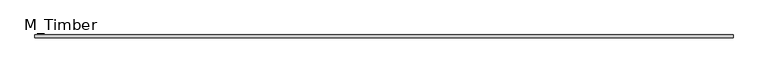
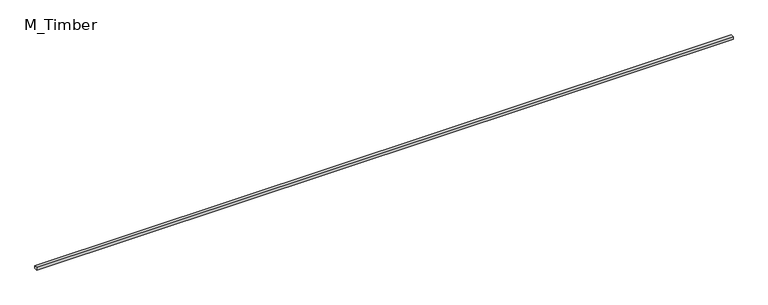
"""IFC4 building model written with IfcOpenShell, lengths in millimetres: beam geometry, M_Timber."""

from ifc_helpers import new_model, si_unit, frame, origin, place, context, project, spatial, polyline, outline, extrude, source, transform, mapped, element, save


def m_timber_74924166(model_context):
    return source(origin(), model_context, "Body", "SweptSolid", [
        extrude(outline(polyline([(4754.1456521, 20.0), (4754.1456521, -20.0), (-4754.1456521, -20.0), (-4754.1456521, 20.0), (4754.1456521, 20.0)])), frame((0.0, 0.0, -20.0), z_axis=(0.0, 0.0, 1.0), x_axis=(1.0, 0.0, 0.0)), (0.0, 0.0, 1.0), 40.0),
    ])


if __name__ == "__main__":
    model = new_model("IFC4")
    model_context = context("Model", 3, world=origin())
    ifc_project = project(units=[si_unit("LENGTHUNIT", "METRE", prefix="MILLI")], contexts=[model_context])
    site = spatial("IfcSite", under=ifc_project)
    building = spatial("IfcBuilding", under=site)
    placement = place(None, origin())
    m_timber_shape = m_timber_74924166(model_context)
    element("IfcBeam", 1, ObjectType="M_Timber", at=placement, inside=building, context=model_context, shape_type="MappedRepresentation", body=[
        mapped(m_timber_shape, transform((0.0, 0.0, 0.0), x_axis=(1.0, 0.0, 0.0), y_axis=(0.0, 1.0, 0.0), z_axis=(0.0, 0.0, 1.0))),
    ])
    save(model, "model.ifc")
